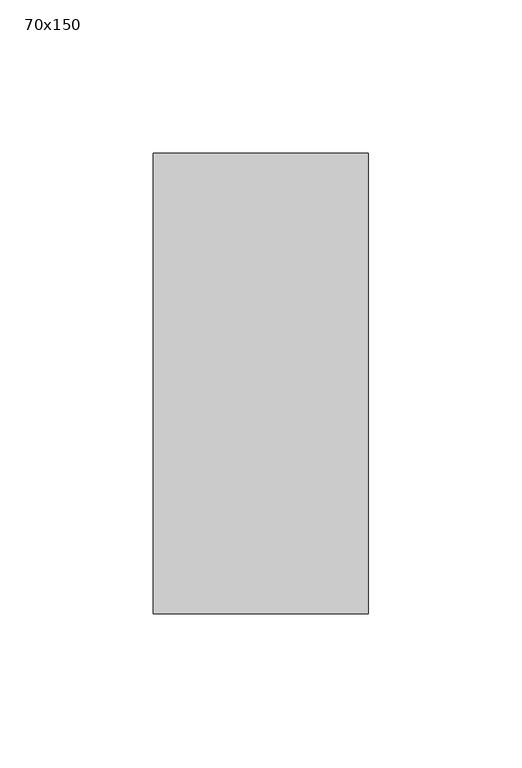
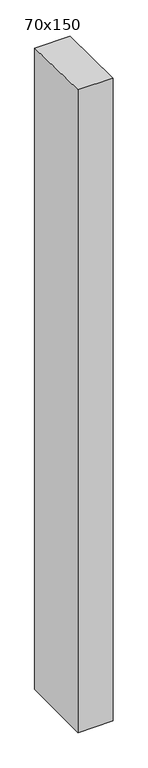
"""IFC4 building model written with IfcOpenShell, lengths in millimetres: member geometry, 70x150."""

from ifc_helpers import new_model, si_unit, frame, origin, place, context, project, spatial, polyline, outline, extrude, source, transform, mapped, element, save


def member_70x150_728e362a(model_context):
    return source(origin(), model_context, "Body", "SweptSolid", [
        extrude(outline(polyline([(-75.0, 1.6445347), (75.0, -1.6445347), (75.0, -1354.3695227), (-75.0, -1354.3695227), (-75.0, 1.6445347)])), frame((-35.0, 0.0, 0.0), z_axis=(1.0, 0.0, 0.0), x_axis=(0.0, 1.0, 0.0)), (0.0, 0.0, 1.0), 70.0),
    ])


if __name__ == "__main__":
    model = new_model("IFC4")
    model_context = context("Model", 3, world=origin())
    ifc_project = project(units=[si_unit("LENGTHUNIT", "METRE", prefix="MILLI")], contexts=[model_context])
    site = spatial("IfcSite", under=ifc_project)
    building = spatial("IfcBuilding", under=site)
    placement = place(None, origin())
    member_70x150_shape = member_70x150_728e362a(model_context)
    element("IfcMember", 1, ObjectType="70x150", at=placement, inside=building, context=model_context, shape_type="MappedRepresentation", body=[
        mapped(member_70x150_shape, transform((0.0, 0.0, 0.0), x_axis=(1.0, 0.0, 0.0), y_axis=(0.0, 1.0, 0.0), z_axis=(0.0, 0.0, 1.0))),
    ])
    save(model, "model.ifc")
